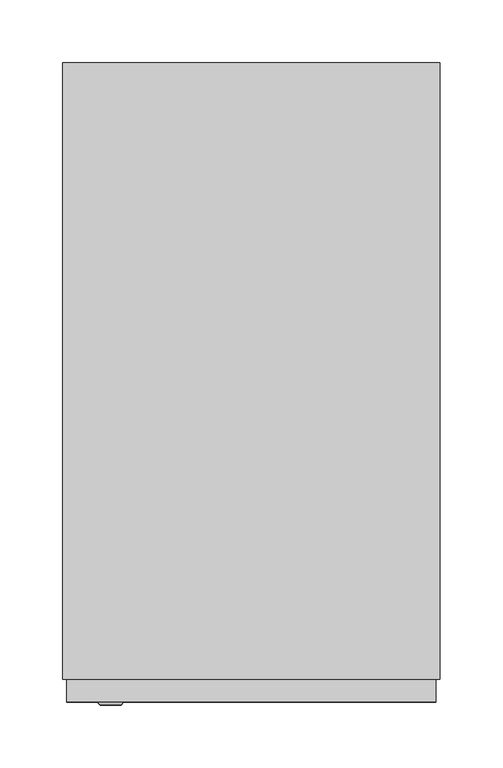
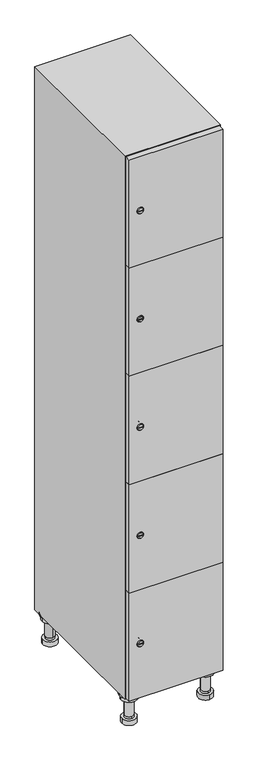
"""IFC4 building model written with IfcOpenShell, lengths in millimetres: furniture geometry."""

from ifc_helpers import new_model, si_unit, point, frame, frame_2d, origin, place, context, project, spatial, polyline, circle_curve, trimmed, segment, composite_curve, outline, extrude, faceted_brep, source, transform, mapped, element, save
from ifc_brep_helpers import plane_surface, cylinder_surface, revolved_surface, advanced_brep


def furniture_a6154eb6(model_context):
    return source(origin(), model_context, "Body", "SolidModel", [
        advanced_brep(
        [(70.0, -201.0, 22.0), (70.0, -201.5, 16.0), (70.0, -228.5, 16.0), (70.0, -229.0, 22.0), (56.0, -215.0, 22.0), (84.0, -215.0, 22.0), (70.0, -192.5, 16.0), (70.0, -237.5, 16.0), (70.0, -192.5, 0.0), (70.0, -237.5, 0.0), (84.0, -215.0, 78.0), (56.0, -215.0, 78.0), (95.0, -215.0, 78.0), (45.0, -215.0, 78.0), (100.0, -215.0, 94.0), (40.0, -215.0, 94.0), (45.0, -215.0, 94.0), (95.0, -215.0, 94.0), (100.0, -215.0, 100.0), (40.0, -215.0, 100.0)],
        [
            (0, 1),
            (1, 2, circle_curve(frame((70.0, -215.0, 16.0), z_axis=(0.0, 0.0, 1.0), x_axis=(0.0, -1.0, 0.0)), 13.5)),
            (2, 3),
            (3, 4, circle_curve(frame((70.0, -215.0, 22.0), z_axis=(0.0, 0.0, -1.0), x_axis=(0.0, -1.0, 0.0)), 14.0)),
            (4, 0, circle_curve(frame((70.0, -215.0, 22.0), z_axis=(0.0, 0.0, -1.0), x_axis=(0.0, -1.0, 0.0)), 14.0)),
            (0, 5, circle_curve(frame((70.0, -215.0, 22.0), z_axis=(0.0, 0.0, -1.0), x_axis=(0.0, 1.0, 0.0)), 14.0)),
            (5, 3, circle_curve(frame((70.0, -215.0, 22.0), z_axis=(0.0, 0.0, -1.0), x_axis=(0.0, 1.0, 0.0)), 14.0)),
            (2, 1, circle_curve(frame((70.0, -215.0, 16.0), z_axis=(0.0, 0.0, 1.0), x_axis=(0.0, 1.0, 0.0)), 13.5)),
            (6, 7, circle_curve(frame((70.0, -215.0, 16.0), z_axis=(0.0, 0.0, 1.0), x_axis=(0.0, -1.0, 0.0)), 22.5)),
            (7, 6, circle_curve(frame((70.0, -215.0, 16.0), z_axis=(0.0, 0.0, 1.0), x_axis=(0.0, -1.0, 0.0)), 22.5)),
            (8, 9, circle_curve(frame((70.0, -215.0, 0.0), z_axis=(0.0, 0.0, -1.0), x_axis=(0.0, -1.0, 0.0)), 22.5)),
            (9, 8, circle_curve(frame((70.0, -215.0, 0.0), z_axis=(0.0, 0.0, -1.0), x_axis=(0.0, -1.0, 0.0)), 22.5)),
            (6, 8),
            (9, 7),
            (5, 10),
            (10, 11, circle_curve(frame((70.0, -215.0, 78.0), z_axis=(0.0, 0.0, -1.0), x_axis=(-1.0, 0.0, 0.0)), 14.0)),
            (11, 4),
            (11, 10, circle_curve(frame((70.0, -215.0, 78.0), z_axis=(0.0, 0.0, -1.0), x_axis=(-1.0, 0.0, 0.0)), 14.0)),
            (12, 13, circle_curve(frame((70.0, -215.0, 78.0), z_axis=(0.0, 0.0, -1.0), x_axis=(-1.0, 0.0, 0.0)), 25.0)),
            (13, 12, circle_curve(frame((70.0, -215.0, 78.0), z_axis=(0.0, 0.0, -1.0), x_axis=(-1.0, 0.0, 0.0)), 25.0)),
            (14, 15, circle_curve(frame((70.0, -215.0, 94.0), z_axis=(0.0, 0.0, -1.0), x_axis=(-1.0, 0.0, 0.0)), 30.0)),
            (15, 14, circle_curve(frame((70.0, -215.0, 94.0), z_axis=(0.0, 0.0, -1.0), x_axis=(-1.0, 0.0, 0.0)), 30.0)),
            (16, 17, circle_curve(frame((70.0, -215.0, 94.0), z_axis=(0.0, 0.0, 1.0), x_axis=(-1.0, 0.0, 0.0)), 25.0)),
            (17, 16, circle_curve(frame((70.0, -215.0, 94.0), z_axis=(0.0, 0.0, 1.0), x_axis=(-1.0, 0.0, 0.0)), 25.0)),
            (18, 19, circle_curve(frame((70.0, -215.0, 100.0), z_axis=(0.0, 0.0, 1.0), x_axis=(-1.0, 0.0, 0.0)), 30.0)),
            (19, 18, circle_curve(frame((70.0, -215.0, 100.0), z_axis=(0.0, 0.0, 1.0), x_axis=(-1.0, 0.0, 0.0)), 30.0)),
            (14, 18),
            (19, 15),
            (12, 17),
            (16, 13),
        ],
        [
            revolved_surface(polyline([(70.0, -201.5, 16.0), (70.0, -201.0, 22.0)]), (70.0, -215.0, -146.0), (0.0, 0.0, 1.0)),
            plane_surface(frame((70.0, 0.0, 16.0), z_axis=(0.0, 0.0, 1.0), x_axis=(0.0, -1.0, 0.0))),
            plane_surface(frame((70.0, 0.0, 0.0), z_axis=(0.0, 0.0, -1.0), x_axis=(0.0, -1.0, 0.0))),
            cylinder_surface(frame((70.0, -215.0, 16.0), z_axis=(0.0, 0.0, 1.0), x_axis=(0.0, -1.0, 0.0)), 22.5),
            cylinder_surface(frame((70.0, -215.0, 22.0), z_axis=(0.0, 0.0, -1.0), x_axis=(-1.0, 0.0, 0.0)), 14.0),
            plane_surface(frame((70.0, 0.0, 78.0), z_axis=(0.0, 0.0, -1.0), x_axis=(0.0, -1.0, 0.0))),
            plane_surface(frame((70.0, 0.0, 94.0), z_axis=(0.0, 0.0, -1.0), x_axis=(0.0, -1.0, 0.0))),
            plane_surface(frame((70.0, 0.0, 100.0), z_axis=(0.0, 0.0, 1.0), x_axis=(0.0, -1.0, 0.0))),
            cylinder_surface(frame((70.0, -215.0, 94.0), z_axis=(0.0, 0.0, -1.0), x_axis=(-1.0, 0.0, 0.0)), 30.0),
            cylinder_surface(frame((70.0, -215.0, 78.0), z_axis=(0.0, 0.0, -1.0), x_axis=(-1.0, 0.0, 0.0)), 25.0),
        ],
        [
            (0, [[1, 2, 3, 4, 5]]),
            (0, [[-1, 6, 7, -3, 8]]),
            (1, [[9, 10], [-2, -8]]),
            (2, [[11, 12]]),
            (3, [[-9, 13, -12, 14]]),
            (3, [[-10, -14, -11, -13]]),
            (4, [[15, 16, 17, -4, -7]]),
            (4, [[-15, -6, -5, -17, 18]]),
            (5, [[19, 20], [-16, -18]]),
            (6, [[21, 22], [23, 24]]),
            (7, [[25, 26]]),
            (8, [[-21, 27, -26, 28]]),
            (8, [[-22, -28, -25, -27]]),
            (9, [[-19, 29, -23, 30]]),
            (9, [[-20, -30, -24, -29]]),
        ],
    ),
        advanced_brep(
        [(-170.0, -201.0, 22.0), (-170.0, -201.5, 16.0), (-170.0, -228.5, 16.0), (-170.0, -229.0, 22.0), (-184.0, -215.0, 22.0), (-156.0, -215.0, 22.0), (-147.5, -215.0, 0.0), (-192.5, -215.0, 0.0), (-147.5, -215.0, 16.0), (-192.5, -215.0, 16.0), (-156.0, -215.0, 78.0), (-184.0, -215.0, 78.0), (-145.0, -215.0, 78.0), (-195.0, -215.0, 78.0), (-140.0, -215.0, 94.0), (-200.0, -215.0, 94.0), (-195.0, -215.0, 94.0), (-145.0, -215.0, 94.0), (-140.0, -215.0, 100.0), (-200.0, -215.0, 100.0)],
        [
            (0, 1),
            (1, 2, circle_curve(frame((-170.0, -215.0, 16.0), z_axis=(0.0, 0.0, 1.0), x_axis=(0.0, -1.0, 0.0)), 13.5)),
            (2, 3),
            (3, 4, circle_curve(frame((-170.0, -215.0, 22.0), z_axis=(0.0, 0.0, -1.0), x_axis=(0.0, -1.0, 0.0)), 14.0)),
            (4, 0, circle_curve(frame((-170.0, -215.0, 22.0), z_axis=(0.0, 0.0, -1.0), x_axis=(0.0, -1.0, 0.0)), 14.0)),
            (0, 5, circle_curve(frame((-170.0, -215.0, 22.0), z_axis=(0.0, 0.0, -1.0), x_axis=(0.0, 1.0, 0.0)), 14.0)),
            (5, 3, circle_curve(frame((-170.0, -215.0, 22.0), z_axis=(0.0, 0.0, -1.0), x_axis=(0.0, 1.0, 0.0)), 14.0)),
            (2, 1, circle_curve(frame((-170.0, -215.0, 16.0), z_axis=(0.0, 0.0, 1.0), x_axis=(0.0, 1.0, 0.0)), 13.5)),
            (6, 7, circle_curve(frame((-170.0, -215.0, 0.0), z_axis=(0.0, 0.0, -1.0), x_axis=(-1.0, 0.0, 0.0)), 22.5)),
            (7, 6, circle_curve(frame((-170.0, -215.0, 0.0), z_axis=(0.0, 0.0, -1.0), x_axis=(-1.0, 0.0, 0.0)), 22.5)),
            (8, 9, circle_curve(frame((-170.0, -215.0, 16.0), z_axis=(0.0, 0.0, 1.0), x_axis=(-1.0, 0.0, 0.0)), 22.5)),
            (9, 8, circle_curve(frame((-170.0, -215.0, 16.0), z_axis=(0.0, 0.0, 1.0), x_axis=(-1.0, 0.0, 0.0)), 22.5)),
            (6, 8),
            (9, 7),
            (5, 10),
            (10, 11, circle_curve(frame((-170.0, -215.0, 78.0), z_axis=(0.0, 0.0, -1.0), x_axis=(-1.0, 0.0, 0.0)), 14.0)),
            (11, 4),
            (11, 10, circle_curve(frame((-170.0, -215.0, 78.0), z_axis=(0.0, 0.0, -1.0), x_axis=(-1.0, 0.0, 0.0)), 14.0)),
            (12, 13, circle_curve(frame((-170.0, -215.0, 78.0), z_axis=(0.0, 0.0, -1.0), x_axis=(-1.0, 0.0, 0.0)), 25.0)),
            (13, 12, circle_curve(frame((-170.0, -215.0, 78.0), z_axis=(0.0, 0.0, -1.0), x_axis=(-1.0, 0.0, 0.0)), 25.0)),
            (14, 15, circle_curve(frame((-170.0, -215.0, 94.0), z_axis=(0.0, 0.0, -1.0), x_axis=(-1.0, 0.0, 0.0)), 30.0)),
            (15, 14, circle_curve(frame((-170.0, -215.0, 94.0), z_axis=(0.0, 0.0, -1.0), x_axis=(-1.0, 0.0, 0.0)), 30.0)),
            (16, 17, circle_curve(frame((-170.0, -215.0, 94.0), z_axis=(0.0, 0.0, 1.0), x_axis=(-1.0, 0.0, 0.0)), 25.0)),
            (17, 16, circle_curve(frame((-170.0, -215.0, 94.0), z_axis=(0.0, 0.0, 1.0), x_axis=(-1.0, 0.0, 0.0)), 25.0)),
            (18, 19, circle_curve(frame((-170.0, -215.0, 100.0), z_axis=(0.0, 0.0, 1.0), x_axis=(-1.0, 0.0, 0.0)), 30.0)),
            (19, 18, circle_curve(frame((-170.0, -215.0, 100.0), z_axis=(0.0, 0.0, 1.0), x_axis=(-1.0, 0.0, 0.0)), 30.0)),
            (14, 18),
            (19, 15),
            (12, 17),
            (16, 13),
        ],
        [
            revolved_surface(polyline([(-170.0, -201.5, 16.0), (-170.0, -201.0, 22.0)]), (-170.0, -215.0, -146.0), (0.0, 0.0, 1.0)),
            plane_surface(frame((-170.0, 0.0, 0.0), z_axis=(0.0, 0.0, -1.0), x_axis=(0.0, -1.0, 0.0))),
            plane_surface(frame((-170.0, 0.0, 16.0), z_axis=(0.0, 0.0, 1.0), x_axis=(0.0, -1.0, 0.0))),
            cylinder_surface(frame((-170.0, -215.0, 0.0), z_axis=(0.0, 0.0, -1.0), x_axis=(-1.0, 0.0, 0.0)), 22.5),
            cylinder_surface(frame((-170.0, -215.0, 22.0), z_axis=(0.0, 0.0, -1.0), x_axis=(-1.0, 0.0, 0.0)), 14.0),
            plane_surface(frame((-170.0, 0.0, 78.0), z_axis=(0.0, 0.0, -1.0), x_axis=(0.0, -1.0, 0.0))),
            plane_surface(frame((-170.0, 0.0, 94.0), z_axis=(0.0, 0.0, -1.0), x_axis=(0.0, -1.0, 0.0))),
            plane_surface(frame((-170.0, 0.0, 100.0), z_axis=(0.0, 0.0, 1.0), x_axis=(0.0, -1.0, 0.0))),
            cylinder_surface(frame((-170.0, -215.0, 94.0), z_axis=(0.0, 0.0, -1.0), x_axis=(-1.0, 0.0, 0.0)), 30.0),
            cylinder_surface(frame((-170.0, -215.0, 78.0), z_axis=(0.0, 0.0, -1.0), x_axis=(-1.0, 0.0, 0.0)), 25.0),
        ],
        [
            (0, [[1, 2, 3, 4, 5]]),
            (0, [[-1, 6, 7, -3, 8]]),
            (1, [[9, 10]]),
            (2, [[11, 12], [-2, -8]]),
            (3, [[-9, 13, -12, 14]]),
            (3, [[-10, -14, -11, -13]]),
            (4, [[15, 16, 17, -4, -7]]),
            (4, [[-15, -6, -5, -17, 18]]),
            (5, [[19, 20], [-16, -18]]),
            (6, [[21, 22], [23, 24]]),
            (7, [[25, 26]]),
            (8, [[-21, 27, -26, 28]]),
            (8, [[-22, -28, -25, -27]]),
            (9, [[-19, 29, -23, 30]]),
            (9, [[-20, -30, -24, -29]]),
        ],
    ),
        advanced_brep(
        [(83.5, 215.0, 16.0), (84.0, 215.0, 22.0), (56.0, 215.0, 22.0), (56.5, 215.0, 16.0), (92.5, 215.0, 0.0), (47.5, 215.0, 0.0), (92.5, 215.0, 16.0), (47.5, 215.0, 16.0), (84.0, 215.0, 78.0), (56.0, 215.0, 78.0), (95.0, 215.0, 78.0), (45.0, 215.0, 78.0), (100.0, 215.0, 94.0), (40.0, 215.0, 94.0), (45.0, 215.0, 94.0), (95.0, 215.0, 94.0), (100.0, 215.0, 100.0), (40.0, 215.0, 100.0)],
        [
            (0, 1),
            (1, 2, circle_curve(frame((70.0, 215.0, 22.0), z_axis=(0.0, 0.0, -1.0), x_axis=(-1.0, 0.0, 0.0)), 14.0)),
            (2, 3),
            (3, 0, circle_curve(frame((70.0, 215.0, 16.0), z_axis=(0.0, 0.0, 1.0), x_axis=(-1.0, 0.0, 0.0)), 13.5)),
            (0, 3, circle_curve(frame((70.0, 215.0, 16.0), z_axis=(0.0, 0.0, 1.0), x_axis=(1.0, 0.0, 0.0)), 13.5)),
            (2, 1, circle_curve(frame((70.0, 215.0, 22.0), z_axis=(0.0, 0.0, -1.0), x_axis=(1.0, 0.0, 0.0)), 14.0)),
            (4, 5, circle_curve(frame((70.0, 215.0, 0.0), z_axis=(0.0, 0.0, -1.0), x_axis=(-1.0, 0.0, 0.0)), 22.5)),
            (5, 4, circle_curve(frame((70.0, 215.0, 0.0), z_axis=(0.0, 0.0, -1.0), x_axis=(-1.0, 0.0, 0.0)), 22.5)),
            (6, 7, circle_curve(frame((70.0, 215.0, 16.0), z_axis=(0.0, 0.0, 1.0), x_axis=(-1.0, 0.0, 0.0)), 22.5)),
            (7, 6, circle_curve(frame((70.0, 215.0, 16.0), z_axis=(0.0, 0.0, 1.0), x_axis=(-1.0, 0.0, 0.0)), 22.5)),
            (4, 6),
            (7, 5),
            (1, 8),
            (8, 9, circle_curve(frame((70.0, 215.0, 78.0), z_axis=(0.0, 0.0, -1.0), x_axis=(-1.0, 0.0, 0.0)), 14.0)),
            (9, 2),
            (9, 8, circle_curve(frame((70.0, 215.0, 78.0), z_axis=(0.0, 0.0, -1.0), x_axis=(-1.0, 0.0, 0.0)), 14.0)),
            (10, 11, circle_curve(frame((70.0, 215.0, 78.0), z_axis=(0.0, 0.0, -1.0), x_axis=(-1.0, 0.0, 0.0)), 25.0)),
            (11, 10, circle_curve(frame((70.0, 215.0, 78.0), z_axis=(0.0, 0.0, -1.0), x_axis=(-1.0, 0.0, 0.0)), 25.0)),
            (12, 13, circle_curve(frame((70.0, 215.0, 94.0), z_axis=(0.0, 0.0, -1.0), x_axis=(-1.0, 0.0, 0.0)), 30.0)),
            (13, 12, circle_curve(frame((70.0, 215.0, 94.0), z_axis=(0.0, 0.0, -1.0), x_axis=(-1.0, 0.0, 0.0)), 30.0)),
            (14, 15, circle_curve(frame((70.0, 215.0, 94.0), z_axis=(0.0, 0.0, 1.0), x_axis=(-1.0, 0.0, 0.0)), 25.0)),
            (15, 14, circle_curve(frame((70.0, 215.0, 94.0), z_axis=(0.0, 0.0, 1.0), x_axis=(-1.0, 0.0, 0.0)), 25.0)),
            (16, 17, circle_curve(frame((70.0, 215.0, 100.0), z_axis=(0.0, 0.0, 1.0), x_axis=(-1.0, 0.0, 0.0)), 30.0)),
            (17, 16, circle_curve(frame((70.0, 215.0, 100.0), z_axis=(0.0, 0.0, 1.0), x_axis=(-1.0, 0.0, 0.0)), 30.0)),
            (12, 16),
            (17, 13),
            (10, 15),
            (14, 11),
        ],
        [
            revolved_surface(polyline([(83.5, 215.0, 16.0), (84.0, 215.0, 22.0)]), (70.0, 215.0, -146.0), (0.0, 0.0, 1.0)),
            plane_surface(frame((70.0, 0.0, 0.0), z_axis=(0.0, 0.0, -1.0), x_axis=(0.0, -1.0, 0.0))),
            plane_surface(frame((70.0, 0.0, 16.0), z_axis=(0.0, 0.0, 1.0), x_axis=(0.0, -1.0, 0.0))),
            cylinder_surface(frame((70.0, 215.0, 0.0), z_axis=(0.0, 0.0, -1.0), x_axis=(-1.0, 0.0, 0.0)), 22.5),
            cylinder_surface(frame((70.0, 215.0, 22.0), z_axis=(0.0, 0.0, -1.0), x_axis=(-1.0, 0.0, 0.0)), 14.0),
            plane_surface(frame((70.0, 0.0, 78.0), z_axis=(0.0, 0.0, -1.0), x_axis=(0.0, -1.0, 0.0))),
            plane_surface(frame((70.0, 0.0, 94.0), z_axis=(0.0, 0.0, -1.0), x_axis=(0.0, -1.0, 0.0))),
            plane_surface(frame((70.0, 0.0, 100.0), z_axis=(0.0, 0.0, 1.0), x_axis=(0.0, -1.0, 0.0))),
            cylinder_surface(frame((70.0, 215.0, 94.0), z_axis=(0.0, 0.0, -1.0), x_axis=(-1.0, 0.0, 0.0)), 30.0),
            cylinder_surface(frame((70.0, 215.0, 78.0), z_axis=(0.0, 0.0, -1.0), x_axis=(-1.0, 0.0, 0.0)), 25.0),
        ],
        [
            (0, [[1, 2, 3, 4]]),
            (0, [[-1, 5, -3, 6]]),
            (1, [[7, 8]]),
            (2, [[9, 10], [-4, -5]]),
            (3, [[-7, 11, -10, 12]]),
            (3, [[-8, -12, -9, -11]]),
            (4, [[13, 14, 15, -2]]),
            (4, [[-13, -6, -15, 16]]),
            (5, [[17, 18], [-14, -16]]),
            (6, [[19, 20], [21, 22]]),
            (7, [[23, 24]]),
            (8, [[-19, 25, -24, 26]]),
            (8, [[-20, -26, -23, -25]]),
            (9, [[-17, 27, -21, 28]]),
            (9, [[-18, -28, -22, -27]]),
        ],
    ),
        advanced_brep(
        [(-156.5, 215.0, 16.0), (-156.0, 215.0, 22.0), (-170.0, 201.0, 22.0), (-184.0, 215.0, 22.0), (-183.5, 215.0, 16.0), (-170.0, 229.0, 22.0), (-147.5, 215.0, 0.0), (-192.5, 215.0, 0.0), (-147.5, 215.0, 16.0), (-192.5, 215.0, 16.0), (-170.0, 229.0, 78.0), (-170.0, 201.0, 78.0), (-145.0, 215.0, 78.0), (-195.0, 215.0, 78.0), (-140.0, 215.0, 94.0), (-200.0, 215.0, 94.0), (-195.0, 215.0, 94.0), (-145.0, 215.0, 94.0), (-140.0, 215.0, 100.0), (-200.0, 215.0, 100.0)],
        [
            (0, 1),
            (1, 2, circle_curve(frame((-170.0, 215.0, 22.0), z_axis=(0.0, 0.0, -1.0), x_axis=(-1.0, 0.0, 0.0)), 14.0)),
            (2, 3, circle_curve(frame((-170.0, 215.0, 22.0), z_axis=(0.0, 0.0, -1.0), x_axis=(-1.0, 0.0, 0.0)), 14.0)),
            (3, 4),
            (4, 0, circle_curve(frame((-170.0, 215.0, 16.0), z_axis=(0.0, 0.0, 1.0), x_axis=(-1.0, 0.0, 0.0)), 13.5)),
            (0, 4, circle_curve(frame((-170.0, 215.0, 16.0), z_axis=(0.0, 0.0, 1.0), x_axis=(1.0, 0.0, 0.0)), 13.5)),
            (3, 5, circle_curve(frame((-170.0, 215.0, 22.0), z_axis=(0.0, 0.0, -1.0), x_axis=(1.0, 0.0, 0.0)), 14.0)),
            (5, 1, circle_curve(frame((-170.0, 215.0, 22.0), z_axis=(0.0, 0.0, -1.0), x_axis=(1.0, 0.0, 0.0)), 14.0)),
            (6, 7, circle_curve(frame((-170.0, 215.0, 0.0), z_axis=(0.0, 0.0, -1.0), x_axis=(-1.0, 0.0, 0.0)), 22.5)),
            (7, 6, circle_curve(frame((-170.0, 215.0, 0.0), z_axis=(0.0, 0.0, -1.0), x_axis=(-1.0, 0.0, 0.0)), 22.5)),
            (8, 9, circle_curve(frame((-170.0, 215.0, 16.0), z_axis=(0.0, 0.0, 1.0), x_axis=(-1.0, 0.0, 0.0)), 22.5)),
            (9, 8, circle_curve(frame((-170.0, 215.0, 16.0), z_axis=(0.0, 0.0, 1.0), x_axis=(-1.0, 0.0, 0.0)), 22.5)),
            (6, 8),
            (9, 7),
            (10, 5),
            (2, 11),
            (11, 10, circle_curve(frame((-170.0, 215.0, 78.0), z_axis=(0.0, 0.0, -1.0), x_axis=(0.0, -1.0, 0.0)), 14.0)),
            (10, 11, circle_curve(frame((-170.0, 215.0, 78.0), z_axis=(0.0, 0.0, -1.0), x_axis=(0.0, -1.0, 0.0)), 14.0)),
            (12, 13, circle_curve(frame((-170.0, 215.0, 78.0), z_axis=(0.0, 0.0, -1.0), x_axis=(-1.0, 0.0, 0.0)), 25.0)),
            (13, 12, circle_curve(frame((-170.0, 215.0, 78.0), z_axis=(0.0, 0.0, -1.0), x_axis=(-1.0, 0.0, 0.0)), 25.0)),
            (14, 15, circle_curve(frame((-170.0, 215.0, 94.0), z_axis=(0.0, 0.0, -1.0), x_axis=(-1.0, 0.0, 0.0)), 30.0)),
            (15, 14, circle_curve(frame((-170.0, 215.0, 94.0), z_axis=(0.0, 0.0, -1.0), x_axis=(-1.0, 0.0, 0.0)), 30.0)),
            (16, 17, circle_curve(frame((-170.0, 215.0, 94.0), z_axis=(0.0, 0.0, 1.0), x_axis=(-1.0, 0.0, 0.0)), 25.0)),
            (17, 16, circle_curve(frame((-170.0, 215.0, 94.0), z_axis=(0.0, 0.0, 1.0), x_axis=(-1.0, 0.0, 0.0)), 25.0)),
            (18, 19, circle_curve(frame((-170.0, 215.0, 100.0), z_axis=(0.0, 0.0, 1.0), x_axis=(-1.0, 0.0, 0.0)), 30.0)),
            (19, 18, circle_curve(frame((-170.0, 215.0, 100.0), z_axis=(0.0, 0.0, 1.0), x_axis=(-1.0, 0.0, 0.0)), 30.0)),
            (14, 18),
            (19, 15),
            (12, 17),
            (16, 13),
        ],
        [
            revolved_surface(polyline([(-156.5, 215.0, 16.0), (-156.0, 215.0, 22.0)]), (-170.0, 215.0, -146.0), (0.0, 0.0, 1.0)),
            plane_surface(frame((-170.0, 0.0, 0.0), z_axis=(0.0, 0.0, -1.0), x_axis=(0.0, -1.0, 0.0))),
            plane_surface(frame((-170.0, 0.0, 16.0), z_axis=(0.0, 0.0, 1.0), x_axis=(0.0, -1.0, 0.0))),
            cylinder_surface(frame((-170.0, 215.0, 0.0), z_axis=(0.0, 0.0, -1.0), x_axis=(-1.0, 0.0, 0.0)), 22.5),
            cylinder_surface(frame((-170.0, 215.0, 78.0), z_axis=(0.0, 0.0, 1.0), x_axis=(0.0, -1.0, 0.0)), 14.0),
            plane_surface(frame((-170.0, 0.0, 78.0), z_axis=(0.0, 0.0, -1.0), x_axis=(0.0, -1.0, 0.0))),
            plane_surface(frame((-170.0, 0.0, 94.0), z_axis=(0.0, 0.0, -1.0), x_axis=(0.0, -1.0, 0.0))),
            plane_surface(frame((-170.0, 0.0, 100.0), z_axis=(0.0, 0.0, 1.0), x_axis=(0.0, -1.0, 0.0))),
            cylinder_surface(frame((-170.0, 215.0, 94.0), z_axis=(0.0, 0.0, -1.0), x_axis=(-1.0, 0.0, 0.0)), 30.0),
            cylinder_surface(frame((-170.0, 215.0, 78.0), z_axis=(0.0, 0.0, -1.0), x_axis=(-1.0, 0.0, 0.0)), 25.0),
        ],
        [
            (0, [[1, 2, 3, 4, 5]]),
            (0, [[-1, 6, -4, 7, 8]]),
            (1, [[9, 10]]),
            (2, [[11, 12], [-5, -6]]),
            (3, [[-9, 13, -12, 14]]),
            (3, [[-10, -14, -11, -13]]),
            (4, [[15, -7, -3, 16, 17]]),
            (4, [[-15, 18, -16, -2, -8]]),
            (5, [[19, 20], [-17, -18]]),
            (6, [[21, 22], [23, 24]]),
            (7, [[25, 26]]),
            (8, [[-21, 27, -26, 28]]),
            (8, [[-22, -28, -25, -27]]),
            (9, [[-19, 29, -23, 30]]),
            (9, [[-20, -30, -24, -29]]),
        ],
    ),
        extrude(outline(composite_curve([segment(trimmed(circle_curve(frame_2d((282.4, -188.7989466)), 7.0), [point((289.4, -188.7989466))], [point((275.4, -188.7989466))], False, "CARTESIAN"), True, "CONTINUOUS"), segment(polyline([(275.4, -188.7989466), (275.4, -160.7989466)]), True, "CONTINUOUS"), segment(trimmed(circle_curve(frame_2d((282.4, -160.7989466)), 7.0), [point((275.4, -160.7989466))], [point((289.4, -160.7989466))], False, "CARTESIAN"), True, "CONTINUOUS"), segment(polyline([(289.4, -160.7989466), (289.4, -188.7989466)]), True, "CONTINUOUS")], self_intersect=False)), frame((0.0, -245.0, 0.0), z_axis=(0.0, 1.0, 0.0), x_axis=(0.0, 0.0, 1.0)), (0.0, 0.0, 1.0), 2.0),
        advanced_brep(
        [(-153.5, -265.2, 282.4), (-170.5, -265.2, 282.4), (-167.0, -265.2, 281.15), (-167.0, -265.2, 283.65), (-157.0, -265.2, 283.65), (-157.0, -265.2, 281.15), (-151.5, -263.0, 282.4), (-172.5, -263.0, 282.4), (-167.0, -263.0, 283.65), (-167.0, -263.0, 281.15), (-157.0, -263.0, 281.15), (-157.0, -263.0, 283.65)],
        [
            (0, 1, circle_curve(frame((-162.0, -265.2, 282.4), z_axis=(0.0, -1.0, 0.0), x_axis=(1.0, 0.0, 0.0)), 8.5)),
            (1, 0, circle_curve(frame((-162.0, -265.2, 282.4), z_axis=(0.0, -1.0, 0.0), x_axis=(-1.0, 0.0, 0.0)), 8.5)),
            (2, 3),
            (3, 4),
            (4, 5),
            (5, 2),
            (6, 7, circle_curve(frame((-162.0, -263.0, 282.4), z_axis=(0.0, 1.0, 0.0), x_axis=(-1.0, 0.0, 0.0)), 10.5)),
            (7, 6, circle_curve(frame((-162.0, -263.0, 282.4), z_axis=(0.0, 1.0, 0.0), x_axis=(1.0, 0.0, 0.0)), 10.5)),
            (8, 9),
            (9, 10),
            (10, 11),
            (11, 8),
            (0, 6),
            (7, 1),
            (8, 3),
            (2, 9),
            (11, 4),
            (10, 5),
        ],
        [
            plane_surface(frame((-162.0, -265.2, 282.4), z_axis=(0.0, -1.0, 0.0), x_axis=(0.0, 0.0, 1.0))),
            plane_surface(frame((-162.0, -263.0, 282.4), z_axis=(0.0, 1.0, 0.0), x_axis=(0.0, 0.0, 1.0))),
            revolved_surface(polyline([(-153.5, -265.2, 282.4), (-151.5, -263.0, 282.4)]), (-162.0, -274.55, 282.4), (0.0, 1.0, 0.0)),
            revolved_surface(polyline([(-170.5, -265.2, 282.4), (-172.5, -263.0, 282.4)]), (-162.0, -274.55, 282.4), (0.0, 1.0, 0.0)),
            plane_surface(frame((-167.0, -263.0, 281.15), z_axis=(1.0, 0.0, 0.0), x_axis=(0.0, -1.0, 0.0))),
            plane_surface(frame((-167.0, -263.0, 283.65), z_axis=(0.0, 0.0, -1.0), x_axis=(0.0, -1.0, 0.0))),
            plane_surface(frame((-157.0, -263.0, 283.65), z_axis=(-1.0, 0.0, 0.0), x_axis=(0.0, -1.0, 0.0))),
            plane_surface(frame((-157.0, -263.0, 281.15), z_axis=(0.0, 0.0, 1.0), x_axis=(0.0, -1.0, 0.0))),
        ],
        [
            (0, [[1, 2], [3, 4, 5, 6]]),
            (1, [[7, 8], [9, 10, 11, 12]]),
            (2, [[-1, 13, -8, 14]]),
            (3, [[-2, -14, -7, -13]]),
            (4, [[15, -3, 16, -9]]),
            (5, [[-15, -12, 17, -4]]),
            (6, [[-17, -11, 18, -5]]),
            (7, [[-16, -6, -18, -10]]),
        ],
    ),
        extrude(outline(composite_curve([segment(trimmed(circle_curve(frame_2d((641.2, -188.7989466)), 7.0), [point((648.2, -188.7989466))], [point((634.2, -188.7989466))], False, "CARTESIAN"), True, "CONTINUOUS"), segment(polyline([(634.2, -188.7989466), (634.2, -160.7989466)]), True, "CONTINUOUS"), segment(trimmed(circle_curve(frame_2d((641.2, -160.7989466)), 7.0), [point((634.2, -160.7989466))], [point((648.2, -160.7989466))], False, "CARTESIAN"), True, "CONTINUOUS"), segment(polyline([(648.2, -160.7989466), (648.2, -188.7989466)]), True, "CONTINUOUS")], self_intersect=False)), frame((0.0, -245.0, 0.0), z_axis=(0.0, 1.0, 0.0), x_axis=(0.0, 0.0, 1.0)), (0.0, 0.0, 1.0), 2.0),
        advanced_brep(
        [(-153.5, -265.2, 641.2), (-170.5, -265.2, 641.2), (-167.0, -265.2, 639.95), (-167.0, -265.2, 642.45), (-157.0, -265.2, 642.45), (-157.0, -265.2, 639.95), (-151.5, -263.0, 641.2), (-172.5, -263.0, 641.2), (-167.0, -263.0, 642.45), (-167.0, -263.0, 639.95), (-157.0, -263.0, 639.95), (-157.0, -263.0, 642.45)],
        [
            (0, 1, circle_curve(frame((-162.0, -265.2, 641.2), z_axis=(0.0, -1.0, 0.0), x_axis=(1.0, 0.0, 0.0)), 8.5)),
            (1, 0, circle_curve(frame((-162.0, -265.2, 641.2), z_axis=(0.0, -1.0, 0.0), x_axis=(-1.0, 0.0, 0.0)), 8.5)),
            (2, 3),
            (3, 4),
            (4, 5),
            (5, 2),
            (6, 7, circle_curve(frame((-162.0, -263.0, 641.2), z_axis=(0.0, 1.0, 0.0), x_axis=(-1.0, 0.0, 0.0)), 10.5)),
            (7, 6, circle_curve(frame((-162.0, -263.0, 641.2), z_axis=(0.0, 1.0, 0.0), x_axis=(1.0, 0.0, 0.0)), 10.5)),
            (8, 9),
            (9, 10),
            (10, 11),
            (11, 8),
            (0, 6),
            (7, 1),
            (8, 3),
            (2, 9),
            (11, 4),
            (10, 5),
        ],
        [
            plane_surface(frame((-162.0, -265.2, 641.2), z_axis=(0.0, -1.0, 0.0), x_axis=(0.0, 0.0, 1.0))),
            plane_surface(frame((-162.0, -263.0, 641.2), z_axis=(0.0, 1.0, 0.0), x_axis=(0.0, 0.0, 1.0))),
            revolved_surface(polyline([(-153.5, -265.2, 641.2), (-151.5, -263.0, 641.2)]), (-162.0, -274.55, 641.2), (0.0, 1.0, 0.0)),
            revolved_surface(polyline([(-170.5, -265.2, 641.2), (-172.5, -263.0, 641.2)]), (-162.0, -274.55, 641.2), (0.0, 1.0, 0.0)),
            plane_surface(frame((-167.0, -263.0, 639.95), z_axis=(1.0, 0.0, 0.0), x_axis=(0.0, -1.0, 0.0))),
            plane_surface(frame((-167.0, -263.0, 642.45), z_axis=(0.0, 0.0, -1.0), x_axis=(0.0, -1.0, 0.0))),
            plane_surface(frame((-157.0, -263.0, 642.45), z_axis=(-1.0, 0.0, 0.0), x_axis=(0.0, -1.0, 0.0))),
            plane_surface(frame((-157.0, -263.0, 639.95), z_axis=(0.0, 0.0, 1.0), x_axis=(0.0, -1.0, 0.0))),
        ],
        [
            (0, [[1, 2], [3, 4, 5, 6]]),
            (1, [[7, 8], [9, 10, 11, 12]]),
            (2, [[-1, 13, -8, 14]]),
            (3, [[-2, -14, -7, -13]]),
            (4, [[15, -3, 16, -9]]),
            (5, [[-15, -12, 17, -4]]),
            (6, [[-17, -11, 18, -5]]),
            (7, [[-16, -6, -18, -10]]),
        ],
    ),
        extrude(outline(composite_curve([segment(trimmed(circle_curve(frame_2d((1000.0, -188.7989466)), 7.0), [point((1007.0, -188.7989466))], [point((993.0, -188.7989466))], False, "CARTESIAN"), True, "CONTINUOUS"), segment(polyline([(993.0, -188.7989466), (993.0, -160.7989466)]), True, "CONTINUOUS"), segment(trimmed(circle_curve(frame_2d((1000.0, -160.7989466)), 7.0), [point((993.0, -160.7989466))], [point((1007.0, -160.7989466))], False, "CARTESIAN"), True, "CONTINUOUS"), segment(polyline([(1007.0, -160.7989466), (1007.0, -188.7989466)]), True, "CONTINUOUS")], self_intersect=False)), frame((0.0, -245.0, 0.0), z_axis=(0.0, 1.0, 0.0), x_axis=(0.0, 0.0, 1.0)), (0.0, 0.0, 1.0), 2.0),
        advanced_brep(
        [(-153.5, -265.2, 1000.0), (-170.5, -265.2, 1000.0), (-167.0, -265.2, 998.75), (-167.0, -265.2, 1001.25), (-157.0, -265.2, 1001.25), (-157.0, -265.2, 998.75), (-151.5, -263.0, 1000.0), (-172.5, -263.0, 1000.0), (-167.0, -263.0, 1001.25), (-167.0, -263.0, 998.75), (-157.0, -263.0, 998.75), (-157.0, -263.0, 1001.25)],
        [
            (0, 1, circle_curve(frame((-162.0, -265.2, 1000.0), z_axis=(0.0, -1.0, 0.0), x_axis=(1.0, 0.0, 0.0)), 8.5)),
            (1, 0, circle_curve(frame((-162.0, -265.2, 1000.0), z_axis=(0.0, -1.0, 0.0), x_axis=(-1.0, 0.0, 0.0)), 8.5)),
            (2, 3),
            (3, 4),
            (4, 5),
            (5, 2),
            (6, 7, circle_curve(frame((-162.0, -263.0, 1000.0), z_axis=(0.0, 1.0, 0.0), x_axis=(-1.0, 0.0, 0.0)), 10.5)),
            (7, 6, circle_curve(frame((-162.0, -263.0, 1000.0), z_axis=(0.0, 1.0, 0.0), x_axis=(1.0, 0.0, 0.0)), 10.5)),
            (8, 9),
            (9, 10),
            (10, 11),
            (11, 8),
            (0, 6),
            (7, 1),
            (8, 3),
            (2, 9),
            (11, 4),
            (10, 5),
        ],
        [
            plane_surface(frame((-162.0, -265.2, 1000.0), z_axis=(0.0, -1.0, 0.0), x_axis=(0.0, 0.0, 1.0))),
            plane_surface(frame((-162.0, -263.0, 1000.0), z_axis=(0.0, 1.0, 0.0), x_axis=(0.0, 0.0, 1.0))),
            revolved_surface(polyline([(-153.5, -265.2, 1000.0), (-151.5, -263.0, 1000.0)]), (-162.0, -274.55, 1000.0), (0.0, 1.0, 0.0)),
            revolved_surface(polyline([(-170.5, -265.2, 1000.0), (-172.5, -263.0, 1000.0)]), (-162.0, -274.55, 1000.0), (0.0, 1.0, 0.0)),
            plane_surface(frame((-167.0, -263.0, 998.75), z_axis=(1.0, 0.0, 0.0), x_axis=(0.0, -1.0, 0.0))),
            plane_surface(frame((-167.0, -263.0, 1001.25), z_axis=(0.0, 0.0, -1.0), x_axis=(0.0, -1.0, 0.0))),
            plane_surface(frame((-157.0, -263.0, 1001.25), z_axis=(-1.0, 0.0, 0.0), x_axis=(0.0, -1.0, 0.0))),
            plane_surface(frame((-157.0, -263.0, 998.75), z_axis=(0.0, 0.0, 1.0), x_axis=(0.0, -1.0, 0.0))),
        ],
        [
            (0, [[1, 2], [3, 4, 5, 6]]),
            (1, [[7, 8], [9, 10, 11, 12]]),
            (2, [[-1, 13, -8, 14]]),
            (3, [[-2, -14, -7, -13]]),
            (4, [[15, -3, 16, -9]]),
            (5, [[-15, -12, 17, -4]]),
            (6, [[-17, -11, 18, -5]]),
            (7, [[-16, -6, -18, -10]]),
        ],
    ),
        extrude(outline(composite_curve([segment(trimmed(circle_curve(frame_2d((1358.8, -188.7989466)), 7.0), [point((1365.8, -188.7989466))], [point((1351.8, -188.7989466))], False, "CARTESIAN"), True, "CONTINUOUS"), segment(polyline([(1351.8, -188.7989466), (1351.8, -160.7989466)]), True, "CONTINUOUS"), segment(trimmed(circle_curve(frame_2d((1358.8, -160.7989466)), 7.0), [point((1351.8, -160.7989466))], [point((1365.8, -160.7989466))], False, "CARTESIAN"), True, "CONTINUOUS"), segment(polyline([(1365.8, -160.7989466), (1365.8, -188.7989466)]), True, "CONTINUOUS")], self_intersect=False)), frame((0.0, -245.0, 0.0), z_axis=(0.0, 1.0, 0.0), x_axis=(0.0, 0.0, 1.0)), (0.0, 0.0, 1.0), 2.0),
        advanced_brep(
        [(-153.5, -265.2, 1358.8), (-170.5, -265.2, 1358.8), (-167.0, -265.2, 1357.55), (-167.0, -265.2, 1360.05), (-157.0, -265.2, 1360.05), (-157.0, -265.2, 1357.55), (-151.5, -263.0, 1358.8), (-172.5, -263.0, 1358.8), (-167.0, -263.0, 1360.05), (-167.0, -263.0, 1357.55), (-157.0, -263.0, 1357.55), (-157.0, -263.0, 1360.05)],
        [
            (0, 1, circle_curve(frame((-162.0, -265.2, 1358.8), z_axis=(0.0, -1.0, 0.0), x_axis=(1.0, 0.0, 0.0)), 8.5)),
            (1, 0, circle_curve(frame((-162.0, -265.2, 1358.8), z_axis=(0.0, -1.0, 0.0), x_axis=(-1.0, 0.0, 0.0)), 8.5)),
            (2, 3),
            (3, 4),
            (4, 5),
            (5, 2),
            (6, 7, circle_curve(frame((-162.0, -263.0, 1358.8), z_axis=(0.0, 1.0, 0.0), x_axis=(-1.0, 0.0, 0.0)), 10.5)),
            (7, 6, circle_curve(frame((-162.0, -263.0, 1358.8), z_axis=(0.0, 1.0, 0.0), x_axis=(1.0, 0.0, 0.0)), 10.5)),
            (8, 9),
            (9, 10),
            (10, 11),
            (11, 8),
            (0, 6),
            (7, 1),
            (8, 3),
            (2, 9),
            (11, 4),
            (10, 5),
        ],
        [
            plane_surface(frame((-162.0, -265.2, 1358.8), z_axis=(0.0, -1.0, 0.0), x_axis=(0.0, 0.0, 1.0))),
            plane_surface(frame((-162.0, -263.0, 1358.8), z_axis=(0.0, 1.0, 0.0), x_axis=(0.0, 0.0, 1.0))),
            revolved_surface(polyline([(-153.5, -265.2, 1358.8), (-151.5, -263.0, 1358.8)]), (-162.0, -274.55, 1358.8), (0.0, 1.0, 0.0)),
            revolved_surface(polyline([(-170.5, -265.2, 1358.8), (-172.5, -263.0, 1358.8)]), (-162.0, -274.55, 1358.8), (0.0, 1.0, 0.0)),
            plane_surface(frame((-167.0, -263.0, 1357.55), z_axis=(1.0, 0.0, 0.0), x_axis=(0.0, -1.0, 0.0))),
            plane_surface(frame((-167.0, -263.0, 1360.05), z_axis=(0.0, 0.0, -1.0), x_axis=(0.0, -1.0, 0.0))),
            plane_surface(frame((-157.0, -263.0, 1360.05), z_axis=(-1.0, 0.0, 0.0), x_axis=(0.0, -1.0, 0.0))),
            plane_surface(frame((-157.0, -263.0, 1357.55), z_axis=(0.0, 0.0, 1.0), x_axis=(0.0, -1.0, 0.0))),
        ],
        [
            (0, [[1, 2], [3, 4, 5, 6]]),
            (1, [[7, 8], [9, 10, 11, 12]]),
            (2, [[-1, 13, -8, 14]]),
            (3, [[-2, -14, -7, -13]]),
            (4, [[15, -3, 16, -9]]),
            (5, [[-15, -12, 17, -4]]),
            (6, [[-17, -11, 18, -5]]),
            (7, [[-16, -6, -18, -10]]),
        ],
    ),
        extrude(outline(composite_curve([segment(trimmed(circle_curve(frame_2d((1717.6, -188.7989466)), 7.0), [point((1724.6, -188.7989466))], [point((1710.6, -188.7989466))], False, "CARTESIAN"), True, "CONTINUOUS"), segment(polyline([(1710.6, -188.7989466), (1710.6, -160.7989466)]), True, "CONTINUOUS"), segment(trimmed(circle_curve(frame_2d((1717.6, -160.7989466)), 7.0), [point((1710.6, -160.7989466))], [point((1724.6, -160.7989466))], False, "CARTESIAN"), True, "CONTINUOUS"), segment(polyline([(1724.6, -160.7989466), (1724.6, -188.7989466)]), True, "CONTINUOUS")], self_intersect=False)), frame((0.0, -245.0, 0.0), z_axis=(0.0, 1.0, 0.0), x_axis=(0.0, 0.0, 1.0)), (0.0, 0.0, 1.0), 2.0),
        advanced_brep(
        [(-153.5, -265.2, 1717.6), (-170.5, -265.2, 1717.6), (-167.0, -265.2, 1716.35), (-167.0, -265.2, 1718.85), (-157.0, -265.2, 1718.85), (-157.0, -265.2, 1716.35), (-151.5, -263.0, 1717.6), (-172.5, -263.0, 1717.6), (-167.0, -263.0, 1718.85), (-167.0, -263.0, 1716.35), (-157.0, -263.0, 1716.35), (-157.0, -263.0, 1718.85)],
        [
            (0, 1, circle_curve(frame((-162.0, -265.2, 1717.6), z_axis=(0.0, -1.0, 0.0), x_axis=(1.0, 0.0, 0.0)), 8.5)),
            (1, 0, circle_curve(frame((-162.0, -265.2, 1717.6), z_axis=(0.0, -1.0, 0.0), x_axis=(-1.0, 0.0, 0.0)), 8.5)),
            (2, 3),
            (3, 4),
            (4, 5),
            (5, 2),
            (6, 7, circle_curve(frame((-162.0, -263.0, 1717.6), z_axis=(0.0, 1.0, 0.0), x_axis=(-1.0, 0.0, 0.0)), 10.5)),
            (7, 6, circle_curve(frame((-162.0, -263.0, 1717.6), z_axis=(0.0, 1.0, 0.0), x_axis=(1.0, 0.0, 0.0)), 10.5)),
            (8, 9),
            (9, 10),
            (10, 11),
            (11, 8),
            (0, 6),
            (7, 1),
            (8, 3),
            (2, 9),
            (11, 4),
            (10, 5),
        ],
        [
            plane_surface(frame((-162.0, -265.2, 1717.6), z_axis=(0.0, -1.0, 0.0), x_axis=(0.0, 0.0, 1.0))),
            plane_surface(frame((-162.0, -263.0, 1717.6), z_axis=(0.0, 1.0, 0.0), x_axis=(0.0, 0.0, 1.0))),
            revolved_surface(polyline([(-153.5, -265.2, 1717.6), (-151.5, -263.0, 1717.6)]), (-162.0, -274.55, 1717.6), (0.0, 1.0, 0.0)),
            revolved_surface(polyline([(-170.5, -265.2, 1717.6), (-172.5, -263.0, 1717.6)]), (-162.0, -274.55, 1717.6), (0.0, 1.0, 0.0)),
            plane_surface(frame((-167.0, -263.0, 1716.35), z_axis=(1.0, 0.0, 0.0), x_axis=(0.0, -1.0, 0.0))),
            plane_surface(frame((-167.0, -263.0, 1718.85), z_axis=(0.0, 0.0, -1.0), x_axis=(0.0, -1.0, 0.0))),
            plane_surface(frame((-157.0, -263.0, 1718.85), z_axis=(-1.0, 0.0, 0.0), x_axis=(0.0, -1.0, 0.0))),
            plane_surface(frame((-157.0, -263.0, 1716.35), z_axis=(0.0, 0.0, 1.0), x_axis=(0.0, -1.0, 0.0))),
        ],
        [
            (0, [[1, 2], [3, 4, 5, 6]]),
            (1, [[7, 8], [9, 10, 11, 12]]),
            (2, [[-1, 13, -8, 14]]),
            (3, [[-2, -14, -7, -13]]),
            (4, [[15, -3, 16, -9]]),
            (5, [[-15, -12, 17, -4]]),
            (6, [[-17, -11, 18, -5]]),
            (7, [[-16, -6, -18, -10]]),
        ],
    ),
        extrude(outline(polyline([(97.0, -245.0), (97.0, -263.0), (-197.0, -263.0), (-197.0, -245.0), (97.0, -245.0)])), frame((0.0, 0.0, 820.1), z_axis=(0.0, 0.0, 1.0), x_axis=(1.0, 0.0, 0.0)), (0.0, 0.0, 1.0), 359.8),
        extrude(outline(polyline([(97.0, -245.0), (97.0, -263.0), (-197.0, -263.0), (-197.0, -245.0), (97.0, -245.0)])), frame((0.0, 0.0, 461.3), z_axis=(0.0, 0.0, 1.0), x_axis=(1.0, 0.0, 0.0)), (0.0, 0.0, 1.0), 359.8),
        extrude(outline(polyline([(97.0, -245.0), (97.0, -263.0), (-197.0, -263.0), (-197.0, -245.0), (97.0, -245.0)])), frame((0.0, 0.0, 1178.9), z_axis=(0.0, 0.0, 1.0), x_axis=(1.0, 0.0, 0.0)), (0.0, 0.0, 1.0), 358.8),
        extrude(outline(polyline([(-197.0, -263.0), (-197.0, -245.0), (97.0, -245.0), (97.0, -263.0), (-197.0, -263.0)])), frame((0.0, 0.0, 1538.7), z_axis=(0.0, 0.0, 1.0), x_axis=(1.0, 0.0, 0.0)), (0.0, 0.0, 1.0), 358.3),
        extrude(outline(polyline([(97.0, -245.0), (97.0, -263.0), (-197.0, -263.0), (-197.0, -245.0), (97.0, -245.0)])), frame((0.0, 0.0, 103.0), z_axis=(0.0, 0.0, 1.0), x_axis=(1.0, 0.0, 0.0)), (0.0, 0.0, 1.0), 359.3),
        extrude(outline(polyline([(82.0, 227.0), (82.0, -227.0), (-182.0, -227.0), (-182.0, 227.0), (82.0, 227.0)])), frame((0.0, 0.0, 1520.2), z_axis=(0.0, 0.0, 1.0), x_axis=(1.0, 0.0, 0.0)), (0.0, 0.0, 1.0), 18.0),
        extrude(outline(polyline([(82.0, 227.0), (82.0, -227.0), (-182.0, -227.0), (-182.0, 227.0), (82.0, 227.0)])), frame((0.0, 0.0, 1167.4), z_axis=(0.0, 0.0, 1.0), x_axis=(1.0, 0.0, 0.0)), (0.0, 0.0, 1.0), 18.0),
        extrude(outline(polyline([(82.0, 227.0), (82.0, -227.0), (-182.0, -227.0), (-182.0, 227.0), (82.0, 227.0)])), frame((0.0, 0.0, 814.6), z_axis=(0.0, 0.0, 1.0), x_axis=(1.0, 0.0, 0.0)), (0.0, 0.0, 1.0), 18.0),
        extrude(outline(polyline([(-182.0, 227.0), (82.0, 227.0), (82.0, -227.0), (-182.0, -227.0), (-182.0, 227.0)])), frame((0.0, 0.0, 461.8), z_axis=(0.0, 0.0, 1.0), x_axis=(1.0, 0.0, 0.0)), (0.0, 0.0, 1.0), 18.0),
        faceted_brep([(100.0, -245.0, 100.0), (100.0, -245.0, 1900.0), (-200.0, -245.0, 1900.0), (-200.0, -245.0, 100.0), (82.0, -245.0, 1882.0), (82.0, -245.0, 118.0), (-182.0, -245.0, 118.0), (-182.0, -245.0, 1882.0), (100.0, 245.0, 100.0), (-200.0, 245.0, 100.0), (100.0, 245.0, 1900.0), (-200.0, 245.0, 1900.0), (82.0, 227.0, 1882.0), (82.0, 227.0, 118.0), (-200.0, 245.0, 1882.0), (-182.0, 227.0, 1882.0), (-182.0, 227.0, 118.0)], [[[0, 1, 2, 3], [4, 5, 6, 7]], [[8, 0, 3, 9]], [[1, 0, 8, 10]], [[1, 10, 11, 2]], [[4, 12, 13, 5]], [[9, 3, 2, 11, 14]], [[10, 8, 9, 14, 11]], [[12, 15, 16, 13]], [[15, 7, 6, 16]], [[4, 7, 15, 12]], [[6, 5, 13, 16]]]),
    ])


if __name__ == "__main__":
    model = new_model("IFC4")
    model_context = context("Model", 3, world=origin())
    ifc_project = project(units=[si_unit("LENGTHUNIT", "METRE", prefix="MILLI")], contexts=[model_context])
    site = spatial("IfcSite", under=ifc_project)
    building = spatial("IfcBuilding", under=site)
    placement = place(None, origin())
    furniture_shape = furniture_a6154eb6(model_context)
    element("IfcFurniture", 1, at=placement, inside=building, context=model_context, shape_type="MappedRepresentation", body=[
        mapped(furniture_shape, transform((0.0, 0.0, 0.0), x_axis=(1.0, 0.0, 0.0), y_axis=(0.0, 1.0, 0.0), z_axis=(0.0, 0.0, 1.0))),
    ])
    save(model, "model.ifc")
